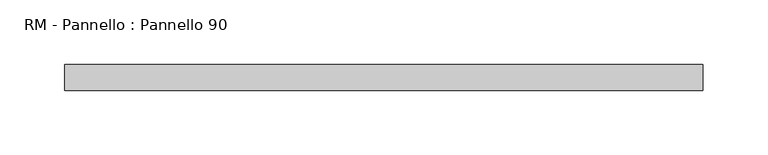
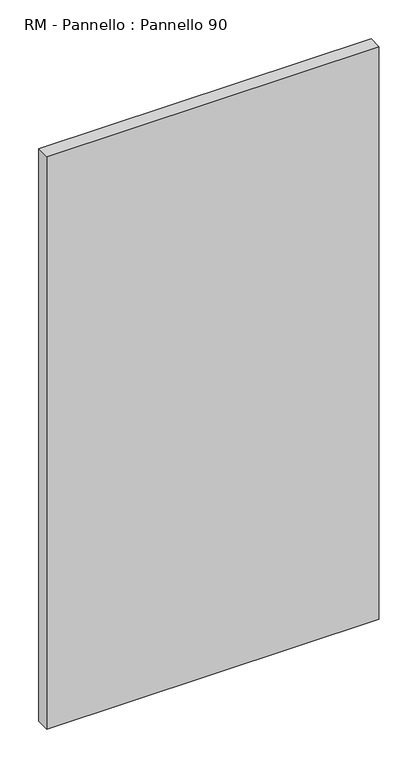
"""IFC4 building model written with IfcOpenShell, lengths in millimetres: plate geometry, RM - Pannello : Pannello 90."""

from ifc_helpers import new_model, si_unit, origin, origin_with_axes, place, context, project, spatial, polyline, outline, extrude, source, transform, mapped, element, save


def rm_pannello_pannello_90_9cb59c20(model_context):
    return source(origin(), model_context, "Body", "SweptSolid", [
        extrude(outline(polyline([(247.0, 200.0), (247.0, 180.0), (-247.0, 180.0), (-247.0, 200.0), (247.0, 200.0)])), origin_with_axes(), (0.0, 0.0, 1.0), 900.0),
    ])


if __name__ == "__main__":
    model = new_model("IFC4")
    model_context = context("Model", 3, world=origin())
    ifc_project = project(units=[si_unit("LENGTHUNIT", "METRE", prefix="MILLI")], contexts=[model_context])
    site = spatial("IfcSite", under=ifc_project)
    building = spatial("IfcBuilding", under=site)
    placement = place(None, origin())
    rm_pannello_pannello_90_shape = rm_pannello_pannello_90_9cb59c20(model_context)
    element("IfcPlate", 1, ObjectType="RM - Pannello : Pannello 90", at=placement, inside=building, context=model_context, shape_type="MappedRepresentation", body=[
        mapped(rm_pannello_pannello_90_shape, transform((0.0, 0.0, 0.0), x_axis=(1.0, 0.0, 0.0), y_axis=(0.0, 1.0, 0.0), z_axis=(0.0, 0.0, 1.0))),
    ])
    save(model, "model.ifc")
